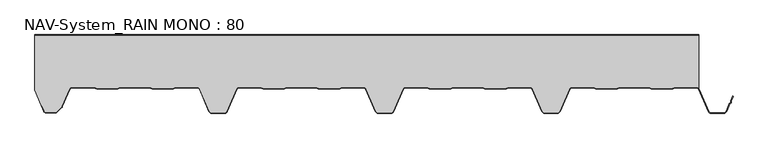
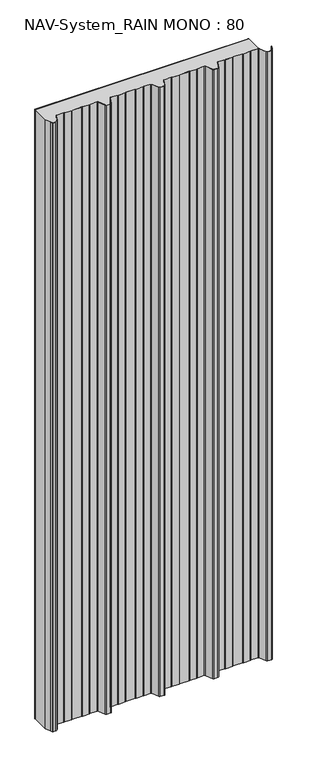
"""IFC4 building model written with IfcOpenShell, lengths in millimetres: plate geometry, NAV-System_RAIN MONO : 80."""

from ifc_helpers import new_model, si_unit, point, frame_2d, origin, origin_with_axes, place, context, project, spatial, polyline, circle_curve, trimmed, segment, composite_curve, outline, extrude, source, transform, mapped, element, save


def nav_system_rain_mono_80_521038c3(model_context):
    return source(origin(), model_context, "Body", "SweptSolid", [
        extrude(outline(polyline([(519.0, -0.8), (-478.0, -0.8), (-478.0, 0.0), (519.0, 0.0), (519.0, -0.8)])), origin_with_axes(), (0.0, 0.0, 1.0), 3000.0),
        extrude(outline(composite_curve([segment(trimmed(circle_curve(frame_2d((515.5898022, -84.0)), 4.8), [point((519.0, -80.6220493))], [point((515.5898022, -79.2))], True, "CARTESIAN"), True, "CONTINUOUS"), segment(polyline([(515.5898022, -79.2), (483.6922468, -79.2), (479.6508228, -80.7), (448.0723788, -80.6741102), (444.1768702, -79.2), (400.3589135, -79.2), (396.3174895, -80.7), (364.7390455, -80.6741102), (360.8435369, -79.2), (328.9416341, -79.2)]), True, "CONTINUOUS"), segment(trimmed(circle_curve(frame_2d((328.9416341, -84.0)), 4.8), [point((328.9416341, -79.2))], [point((324.5314363, -82.1052295))], True, "CARTESIAN"), True, "CONTINUOUS"), segment(polyline([(324.5314363, -82.1052295), (310.330878, -115.1579242)]), True, "CONTINUOUS"), segment(trimmed(circle_curve(frame_2d((306.4719549, -113.5)), 4.2), [point((310.330878, -115.1579242))], [point((306.4719549, -117.7))], False, "CARTESIAN"), True, "CONTINUOUS"), segment(polyline([(306.4719549, -117.7), (288.0594814, -117.7)]), True, "CONTINUOUS"), segment(trimmed(circle_curve(frame_2d((288.0594814, -113.5)), 4.2), [point((288.0594814, -117.7))], [point((284.2005583, -115.1579242))], False, "CARTESIAN"), True, "CONTINUOUS"), segment(polyline([(284.2005583, -115.1579242), (270.0, -82.1052295)]), True, "CONTINUOUS"), segment(trimmed(circle_curve(frame_2d((265.5898022, -84.0)), 4.8), [point((270.0, -82.1052295))], [point((265.5898022, -79.2))], True, "CARTESIAN"), True, "CONTINUOUS"), segment(polyline([(265.5898022, -79.2), (233.6922468, -79.2), (229.6508228, -80.7), (198.0723788, -80.6741102), (194.1768702, -79.2), (150.3589135, -79.2), (146.3174895, -80.7), (114.8074622, -80.7), (110.8435369, -79.2), (78.9416341, -79.2)]), True, "CONTINUOUS"), segment(trimmed(circle_curve(frame_2d((78.9416341, -84.0)), 4.8), [point((78.9416341, -79.2))], [point((74.5314363, -82.1052295))], True, "CARTESIAN"), True, "CONTINUOUS"), segment(polyline([(74.5314363, -82.1052295), (60.330878, -115.1579242)]), True, "CONTINUOUS"), segment(trimmed(circle_curve(frame_2d((56.4719549, -113.5)), 4.2), [point((60.330878, -115.1579242))], [point((56.4719549, -117.7))], False, "CARTESIAN"), True, "CONTINUOUS"), segment(polyline([(56.4719549, -117.7), (38.0594814, -117.7)]), True, "CONTINUOUS"), segment(trimmed(circle_curve(frame_2d((38.0594814, -113.5)), 4.2), [point((38.0594814, -117.7))], [point((34.2005583, -115.1579242))], False, "CARTESIAN"), True, "CONTINUOUS"), segment(polyline([(34.2005583, -115.1579242), (20.0, -82.1052295)]), True, "CONTINUOUS"), segment(trimmed(circle_curve(frame_2d((15.5898022, -84.0)), 4.8), [point((20.0, -82.1052295))], [point((15.5898022, -79.2))], True, "CARTESIAN"), True, "CONTINUOUS"), segment(polyline([(15.5898022, -79.2), (-16.3077532, -79.2), (-20.3491772, -80.7), (-51.9276212, -80.6741102), (-55.8231298, -79.2), (-99.6410865, -79.2), (-103.6825105, -80.7), (-135.1925378, -80.7), (-139.1564631, -79.2), (-171.0583659, -79.2)]), True, "CONTINUOUS"), segment(trimmed(circle_curve(frame_2d((-171.0583659, -84.0)), 4.8), [point((-171.0583659, -79.2))], [point((-175.4685637, -82.1052295))], True, "CARTESIAN"), True, "CONTINUOUS"), segment(polyline([(-175.4685637, -82.1052295), (-189.669122, -115.1579242)]), True, "CONTINUOUS"), segment(trimmed(circle_curve(frame_2d((-193.5280451, -113.5)), 4.2), [point((-189.669122, -115.1579242))], [point((-193.5280451, -117.7))], False, "CARTESIAN"), True, "CONTINUOUS"), segment(polyline([(-193.5280451, -117.7), (-211.9405186, -117.7)]), True, "CONTINUOUS"), segment(trimmed(circle_curve(frame_2d((-211.9405186, -113.5)), 4.2), [point((-211.9405186, -117.7))], [point((-215.7994417, -115.1579242))], False, "CARTESIAN"), True, "CONTINUOUS"), segment(polyline([(-215.7994417, -115.1579242), (-230.0, -82.1052295)]), True, "CONTINUOUS"), segment(trimmed(circle_curve(frame_2d((-234.4101978, -84.0)), 4.8), [point((-230.0, -82.1052295))], [point((-234.4101978, -79.2))], True, "CARTESIAN"), True, "CONTINUOUS"), segment(polyline([(-234.4101978, -79.2), (-266.3077532, -79.2), (-270.3491772, -80.7), (-301.9276212, -80.6741102), (-305.8231298, -79.2), (-349.6410865, -79.2), (-353.6825105, -80.7), (-385.1925378, -80.7), (-389.1564631, -79.2), (-421.9290751, -79.2)]), True, "CONTINUOUS"), segment(trimmed(circle_curve(frame_2d((-421.9290751, -84.0)), 4.8), [point((-421.9290751, -79.2))], [point((-426.3392729, -82.1052295))], True, "CARTESIAN"), True, "CONTINUOUS"), segment(polyline([(-426.3392729, -82.1052295), (-437.4245651, -107.9069459)]), True, "CONTINUOUS"), segment(trimmed(circle_curve(frame_2d((-441.2834882, -106.2490217)), 4.2), [point((-437.4245651, -107.9069459))], [point((-438.3136397, -109.2188701))], False, "CARTESIAN"), True, "CONTINUOUS"), segment(polyline([(-438.3136397, -109.2188701), (-444.764618, -115.6698485)]), True, "CONTINUOUS"), segment(trimmed(circle_curve(frame_2d((-447.7344665, -112.7)), 4.2), [point((-444.764618, -115.6698485))], [point((-447.7344665, -116.9))], False, "CARTESIAN"), True, "CONTINUOUS"), segment(polyline([(-447.7344665, -116.9), (-461.1405186, -116.9)]), True, "CONTINUOUS"), segment(trimmed(circle_curve(frame_2d((-461.1405186, -113.7)), 3.2), [point((-461.1405186, -116.9))], [point((-464.1022482, -114.9116756))], False, "CARTESIAN"), True, "CONTINUOUS"), segment(polyline([(-464.1022482, -114.9116756), (-467.6292254, -106.2905951), (-468.3696578, -106.593514), (-478.0, -83.053822), (-478.0, -0.8), (519.0, -0.8), (519.0, -80.6220493)]), True, "CONTINUOUS")], self_intersect=False)), origin_with_axes(), (0.0, 0.0, 1.0), 3000.0),
        extrude(outline(composite_curve([segment(polyline([(-464.8430228, -115.2145945), (-468.37, -106.593514), (-467.6295676, -106.2905951), (-464.1025904, -114.9116756)]), True, "CONTINUOUS"), segment(trimmed(circle_curve(frame_2d((-461.1408608, -113.7)), 3.2), [point((-464.1025904, -114.9116756))], [point((-461.1408608, -116.9))], True, "CARTESIAN"), True, "CONTINUOUS"), segment(polyline([(-461.1408608, -116.9), (-447.7348087, -116.9)]), True, "CONTINUOUS"), segment(trimmed(circle_curve(frame_2d((-447.7348087, -112.7)), 4.2), [point((-447.7348087, -116.9))], [point((-444.7649603, -115.6698485))], True, "CARTESIAN"), True, "CONTINUOUS"), segment(polyline([(-444.7649603, -115.6698485), (-438.3139819, -109.2188701)]), True, "CONTINUOUS"), segment(trimmed(circle_curve(frame_2d((-441.2838304, -106.2490217)), 4.2), [point((-438.3139819, -109.2188701))], [point((-437.4249073, -107.9069459))], True, "CARTESIAN"), True, "CONTINUOUS"), segment(polyline([(-437.4249073, -107.9069459), (-426.3396151, -82.1052295)]), True, "CONTINUOUS"), segment(trimmed(circle_curve(frame_2d((-421.9294173, -84.0)), 4.8), [point((-426.3396151, -82.1052295))], [point((-421.9294173, -79.2))], False, "CARTESIAN"), True, "CONTINUOUS"), segment(polyline([(-421.9294173, -79.2), (-389.1568054, -79.2), (-385.19288, -80.7), (-353.6828527, -80.7), (-349.6414287, -79.2), (-305.8234721, -79.2), (-301.9279634, -80.6741102), (-270.3495194, -80.7), (-266.3080954, -79.2), (-234.41054, -79.2)]), True, "CONTINUOUS"), segment(trimmed(circle_curve(frame_2d((-234.41054, -84.0)), 4.8), [point((-234.41054, -79.2))], [point((-230.0003422, -82.1052295))], False, "CARTESIAN"), True, "CONTINUOUS"), segment(polyline([(-230.0003422, -82.1052295), (-215.7997839, -115.1579242)]), True, "CONTINUOUS"), segment(trimmed(circle_curve(frame_2d((-211.9408608, -113.5)), 4.2), [point((-215.7997839, -115.1579242))], [point((-211.9408608, -117.7))], True, "CARTESIAN"), True, "CONTINUOUS"), segment(polyline([(-211.9408608, -117.7), (-193.5283873, -117.7)]), True, "CONTINUOUS"), segment(trimmed(circle_curve(frame_2d((-193.5283873, -113.5)), 4.2), [point((-193.5283873, -117.7))], [point((-189.6694642, -115.1579242))], True, "CARTESIAN"), True, "CONTINUOUS"), segment(polyline([(-189.6694642, -115.1579242), (-175.4689059, -82.1052295)]), True, "CONTINUOUS"), segment(trimmed(circle_curve(frame_2d((-171.0587081, -84.0)), 4.8), [point((-175.4689059, -82.1052295))], [point((-171.0587081, -79.2))], False, "CARTESIAN"), True, "CONTINUOUS"), segment(polyline([(-171.0587081, -79.2), (-139.1568054, -79.2), (-135.2612967, -80.6741102), (-103.6828527, -80.7), (-99.6414287, -79.2), (-55.8234721, -79.2), (-51.9279634, -80.6741102), (-20.3495194, -80.7), (-16.3080954, -79.2), (15.58946, -79.2)]), True, "CONTINUOUS"), segment(trimmed(circle_curve(frame_2d((15.58946, -84.0)), 4.8), [point((15.58946, -79.2))], [point((19.9996578, -82.1052295))], False, "CARTESIAN"), True, "CONTINUOUS"), segment(polyline([(19.9996578, -82.1052295), (34.2002161, -115.1579242)]), True, "CONTINUOUS"), segment(trimmed(circle_curve(frame_2d((38.0591392, -113.5)), 4.2), [point((34.2002161, -115.1579242))], [point((38.0591392, -117.7))], True, "CARTESIAN"), True, "CONTINUOUS"), segment(polyline([(38.0591392, -117.7), (56.4716127, -117.7)]), True, "CONTINUOUS"), segment(trimmed(circle_curve(frame_2d((56.4716127, -113.5)), 4.2), [point((56.4716127, -117.7))], [point((60.3305358, -115.1579242))], True, "CARTESIAN"), True, "CONTINUOUS"), segment(polyline([(60.3305358, -115.1579242), (74.5310941, -82.1052295)]), True, "CONTINUOUS"), segment(trimmed(circle_curve(frame_2d((78.9412919, -84.0)), 4.8), [point((74.5310941, -82.1052295))], [point((78.9412919, -79.2))], False, "CARTESIAN"), True, "CONTINUOUS"), segment(polyline([(78.9412919, -79.2), (110.8431946, -79.2), (114.7387033, -80.6741102), (146.3171473, -80.7), (150.3585713, -79.2), (194.1765279, -79.2), (198.0720366, -80.6741102), (229.6504806, -80.7), (233.6919046, -79.2), (265.58946, -79.2)]), True, "CONTINUOUS"), segment(trimmed(circle_curve(frame_2d((265.58946, -84.0)), 4.8), [point((265.58946, -79.2))], [point((269.9996578, -82.1052295))], False, "CARTESIAN"), True, "CONTINUOUS"), segment(polyline([(269.9996578, -82.1052295), (284.2002161, -115.1579242)]), True, "CONTINUOUS"), segment(trimmed(circle_curve(frame_2d((288.0591392, -113.5)), 4.2), [point((284.2002161, -115.1579242))], [point((288.0591392, -117.7))], True, "CARTESIAN"), True, "CONTINUOUS"), segment(polyline([(288.0591392, -117.7), (306.4716127, -117.7)]), True, "CONTINUOUS"), segment(trimmed(circle_curve(frame_2d((306.4716127, -113.5)), 4.2), [point((306.4716127, -117.7))], [point((310.3305358, -115.1579242))], True, "CARTESIAN"), True, "CONTINUOUS"), segment(polyline([(310.3305358, -115.1579242), (324.5310941, -82.1052295)]), True, "CONTINUOUS"), segment(trimmed(circle_curve(frame_2d((328.9412919, -84.0)), 4.8), [point((324.5310941, -82.1052295))], [point((328.9412919, -79.2))], False, "CARTESIAN"), True, "CONTINUOUS"), segment(polyline([(328.9412919, -79.2), (360.8431946, -79.2), (364.7387033, -80.6741102), (396.3171473, -80.7), (400.3585713, -79.2), (444.1765279, -79.2), (448.0720366, -80.6741102), (479.6504806, -80.7), (483.6919046, -79.2), (515.58946, -79.2)]), True, "CONTINUOUS"), segment(trimmed(circle_curve(frame_2d((515.58946, -84.0)), 4.8), [point((515.58946, -79.2))], [point((519.9996578, -82.1052295))], False, "CARTESIAN"), True, "CONTINUOUS"), segment(polyline([(519.9996578, -82.1052295), (534.2002161, -115.1579242)]), True, "CONTINUOUS"), segment(trimmed(circle_curve(frame_2d((538.0591392, -113.5)), 4.2), [point((534.2002161, -115.1579242))], [point((538.0591392, -117.7))], True, "CARTESIAN"), True, "CONTINUOUS"), segment(polyline([(538.0591392, -117.7), (556.4716127, -117.7)]), True, "CONTINUOUS"), segment(trimmed(circle_curve(frame_2d((556.4716127, -113.5)), 4.2), [point((556.4716127, -117.7))], [point((560.3305358, -115.1579242))], True, "CARTESIAN"), True, "CONTINUOUS"), segment(polyline([(560.3305358, -115.1579242), (565.2356202, -103.741031), (567.1121268, -102.0654564), (567.0358547, -99.5508717), (570.0831709, -92.458051), (570.8182039, -92.7738461), (567.8408612, -99.703799), (567.9230626, -102.4138642), (565.9006789, -104.2196957), (561.0655687, -115.4737193)]), True, "CONTINUOUS"), segment(trimmed(circle_curve(frame_2d((556.4716127, -113.5)), 5.0), [point((561.0655687, -115.4737193))], [point((556.4716127, -118.5))], False, "CARTESIAN"), True, "CONTINUOUS"), segment(polyline([(556.4716127, -118.5), (538.0591392, -118.5)]), True, "CONTINUOUS"), segment(trimmed(circle_curve(frame_2d((538.0591392, -113.5)), 5.0), [point((538.0591392, -118.5))], [point((533.4651831, -115.4737193))], False, "CARTESIAN"), True, "CONTINUOUS"), segment(polyline([(533.4651831, -115.4737193), (519.2646248, -82.4210246)]), True, "CONTINUOUS"), segment(trimmed(circle_curve(frame_2d((515.58946, -84.0)), 4.0), [point((519.2646248, -82.4210246))], [point((515.58946, -80.0))], True, "CARTESIAN"), True, "CONTINUOUS"), segment(polyline([(515.58946, -80.0), (483.8338601, -80.0), (479.8699347, -81.5), (447.9941505, -81.5), (444.0302251, -80.0), (400.5005268, -80.0), (396.5366014, -81.5), (364.6608172, -81.5), (360.6968918, -80.0), (328.9412919, -80.0)]), True, "CONTINUOUS"), segment(trimmed(circle_curve(frame_2d((328.9412919, -84.0)), 4.0), [point((328.9412919, -80.0))], [point((325.2661271, -82.4210246))], True, "CARTESIAN"), True, "CONTINUOUS"), segment(polyline([(325.2661271, -82.4210246), (311.0655687, -115.4737193)]), True, "CONTINUOUS"), segment(trimmed(circle_curve(frame_2d((306.4716127, -113.5)), 5.0), [point((311.0655687, -115.4737193))], [point((306.4716127, -118.5))], False, "CARTESIAN"), True, "CONTINUOUS"), segment(polyline([(306.4716127, -118.5), (288.0591392, -118.5)]), True, "CONTINUOUS"), segment(trimmed(circle_curve(frame_2d((288.0591392, -113.5)), 5.0), [point((288.0591392, -118.5))], [point((283.4651831, -115.4737193))], False, "CARTESIAN"), True, "CONTINUOUS"), segment(polyline([(283.4651831, -115.4737193), (269.2646248, -82.4210246)]), True, "CONTINUOUS"), segment(trimmed(circle_curve(frame_2d((265.58946, -84.0)), 4.0), [point((269.2646248, -82.4210246))], [point((265.58946, -80.0))], True, "CARTESIAN"), True, "CONTINUOUS"), segment(polyline([(265.58946, -80.0), (233.8338601, -80.0), (229.8699347, -81.5), (197.9941505, -81.5), (194.0302251, -80.0), (150.5005268, -80.0), (146.5366014, -81.5), (114.6608172, -81.5), (110.6968918, -80.0), (78.9412919, -80.0)]), True, "CONTINUOUS"), segment(trimmed(circle_curve(frame_2d((78.9412919, -84.0)), 4.0), [point((78.9412919, -80.0))], [point((75.2661271, -82.4210246))], True, "CARTESIAN"), True, "CONTINUOUS"), segment(polyline([(75.2661271, -82.4210246), (61.0655687, -115.4737193)]), True, "CONTINUOUS"), segment(trimmed(circle_curve(frame_2d((56.4716127, -113.5)), 5.0), [point((61.0655687, -115.4737193))], [point((56.4716127, -118.5))], False, "CARTESIAN"), True, "CONTINUOUS"), segment(polyline([(56.4716127, -118.5), (38.0591392, -118.5)]), True, "CONTINUOUS"), segment(trimmed(circle_curve(frame_2d((38.0591392, -113.5)), 5.0), [point((38.0591392, -118.5))], [point((33.4651831, -115.4737193))], False, "CARTESIAN"), True, "CONTINUOUS"), segment(polyline([(33.4651831, -115.4737193), (19.2646248, -82.4210246)]), True, "CONTINUOUS"), segment(trimmed(circle_curve(frame_2d((15.58946, -84.0)), 4.0), [point((19.2646248, -82.4210246))], [point((15.58946, -80.0))], True, "CARTESIAN"), True, "CONTINUOUS"), segment(polyline([(15.58946, -80.0), (-16.1661399, -80.0), (-20.1300653, -81.5), (-52.0058495, -81.5), (-55.9697749, -80.0), (-99.4994732, -80.0), (-103.4633986, -81.5), (-135.3391828, -81.5), (-139.3031082, -80.0), (-171.0587081, -80.0)]), True, "CONTINUOUS"), segment(trimmed(circle_curve(frame_2d((-171.0587081, -84.0)), 4.0), [point((-171.0587081, -80.0))], [point((-174.7338729, -82.4210246))], True, "CARTESIAN"), True, "CONTINUOUS"), segment(polyline([(-174.7338729, -82.4210246), (-188.9344313, -115.4737193)]), True, "CONTINUOUS"), segment(trimmed(circle_curve(frame_2d((-193.5283873, -113.5)), 5.0), [point((-188.9344313, -115.4737193))], [point((-193.5283873, -118.5))], False, "CARTESIAN"), True, "CONTINUOUS"), segment(polyline([(-193.5283873, -118.5), (-211.9408608, -118.5)]), True, "CONTINUOUS"), segment(trimmed(circle_curve(frame_2d((-211.9408608, -113.5)), 5.0), [point((-211.9408608, -118.5))], [point((-216.5348169, -115.4737193))], False, "CARTESIAN"), True, "CONTINUOUS"), segment(polyline([(-216.5348169, -115.4737193), (-230.7353752, -82.4210246)]), True, "CONTINUOUS"), segment(trimmed(circle_curve(frame_2d((-234.41054, -84.0)), 4.0), [point((-230.7353752, -82.4210246))], [point((-234.41054, -80.0))], True, "CARTESIAN"), True, "CONTINUOUS"), segment(polyline([(-234.41054, -80.0), (-266.1661399, -80.0), (-270.1300653, -81.5), (-302.0058495, -81.5), (-305.9697749, -80.0), (-349.4994732, -80.0), (-353.4633986, -81.5), (-385.3391828, -81.5), (-389.3031082, -80.0), (-421.9294173, -80.0)]), True, "CONTINUOUS"), segment(trimmed(circle_curve(frame_2d((-421.9294173, -84.0)), 4.0), [point((-421.9294173, -80.0))], [point((-425.6045822, -82.4210246))], True, "CARTESIAN"), True, "CONTINUOUS"), segment(polyline([(-425.6045822, -82.4210246), (-436.6898744, -108.2227409)]), True, "CONTINUOUS"), segment(trimmed(circle_curve(frame_2d((-441.2838304, -106.2490217)), 5.0), [point((-436.6898744, -108.2227409))], [point((-437.7482965, -109.7845556))], False, "CARTESIAN"), True, "CONTINUOUS"), segment(polyline([(-437.7482965, -109.7845556), (-444.1992748, -116.2355339)]), True, "CONTINUOUS"), segment(trimmed(circle_curve(frame_2d((-447.7348087, -112.7)), 5.0), [point((-444.1992748, -116.2355339))], [point((-447.7348087, -117.7))], False, "CARTESIAN"), True, "CONTINUOUS"), segment(polyline([(-447.7348087, -117.7), (-461.1408608, -117.7)]), True, "CONTINUOUS"), segment(trimmed(circle_curve(frame_2d((-461.1408608, -113.7)), 4.0), [point((-461.1408608, -117.7))], [point((-464.8430228, -115.2145945))], False, "CARTESIAN"), True, "CONTINUOUS")], self_intersect=False)), origin_with_axes(), (0.0, 0.0, 1.0), 3000.0),
    ])


if __name__ == "__main__":
    model = new_model("IFC4")
    model_context = context("Model", 3, world=origin())
    ifc_project = project(units=[si_unit("LENGTHUNIT", "METRE", prefix="MILLI")], contexts=[model_context])
    site = spatial("IfcSite", under=ifc_project)
    building = spatial("IfcBuilding", under=site)
    placement = place(None, origin())
    nav_system_rain_mono_80_shape = nav_system_rain_mono_80_521038c3(model_context)
    element("IfcPlate", 1, ObjectType="NAV-System_RAIN MONO : 80", at=placement, inside=building, context=model_context, shape_type="MappedRepresentation", body=[
        mapped(nav_system_rain_mono_80_shape, transform((0.0, 0.0, 0.0), x_axis=(1.0, 0.0, 0.0), y_axis=(0.0, 1.0, 0.0), z_axis=(0.0, 0.0, 1.0))),
    ])
    save(model, "model.ifc")
